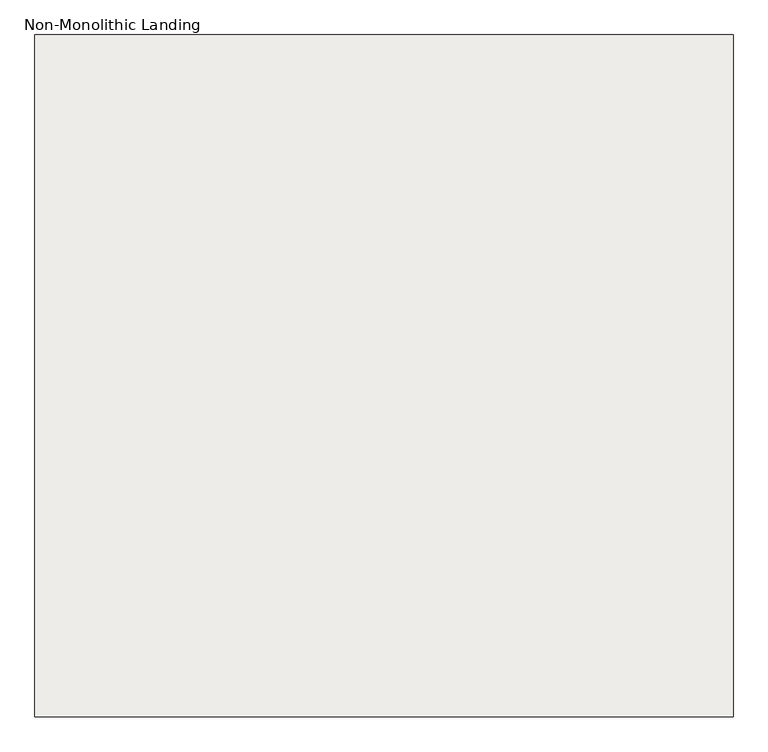
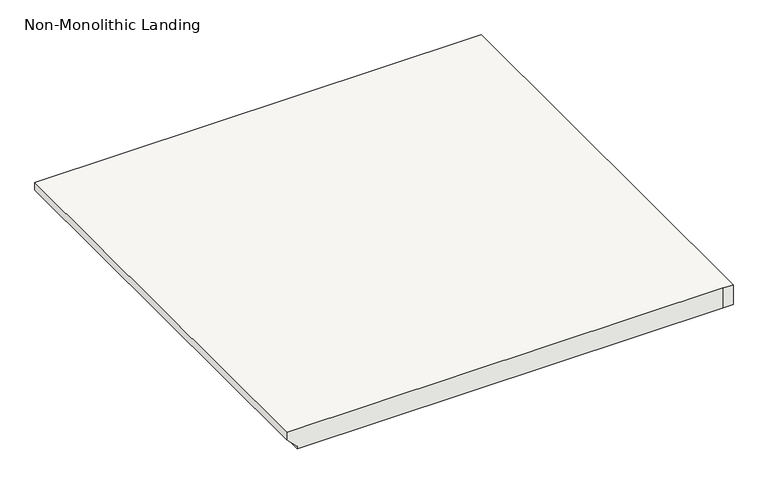
"""IFC4 building model written with IfcOpenShell, lengths in millimetres: slab geometry, Non-Monolithic Landing."""

from ifc_helpers import new_model, si_unit, origin, place, context, project, spatial, faceted_brep, source, transform, mapped, element, save


def non_monolithic_landing_9510f6d4(model_context):
    return source(origin(), model_context, "Body", "Brep", [
        faceted_brep([(39085.0404708, -13101.150078, 2175.8088235), (39085.0404708, -13101.150078, 2194.8588235), (39085.0404708, -12034.350078, 2194.8588235), (39085.0404708, -12034.350078, 2175.8088235), (39110.4404708, -13101.150078, 2150.4088235), (39110.4404708, -12034.350078, 2150.4088235), (40151.8404708, -13101.150078, 2194.8588235), (40177.2404708, -13101.150078, 2194.8588235), (40177.2404708, -12034.350078, 2194.8588235), (40151.8404708, -12034.350078, 2194.8588235), (39110.4404708, -13101.150078, 2144.0588235), (39110.4404708, -12034.350078, 2144.0588235), (40151.8404708, -12034.350078, 2144.0588235), (40177.2404708, -12034.350078, 2144.0588235), (40177.2404708, -13101.150078, 2144.0588235), (40151.8404708, -13101.150078, 2144.0588235)], [[[0, 1, 2, 3]], [[4, 0, 3, 5]], [[6, 7, 8, 9, 2, 1]], [[10, 11, 12, 13, 14, 15]], [[11, 10, 4, 5]], [[6, 1, 0, 4, 10, 15]], [[7, 6, 15, 14]], [[8, 7, 14, 13]], [[9, 8, 13, 12]], [[2, 9, 12, 11, 5, 3]]]),
    ])


if __name__ == "__main__":
    model = new_model("IFC4")
    model_context = context("Model", 3, world=origin())
    ifc_project = project(units=[si_unit("LENGTHUNIT", "METRE", prefix="MILLI")], contexts=[model_context])
    site = spatial("IfcSite", under=ifc_project)
    building = spatial("IfcBuilding", under=site)
    placement = place(None, origin())
    non_monolithic_landing_shape = non_monolithic_landing_9510f6d4(model_context)
    element("IfcSlab", 1, ObjectType="Non-Monolithic Landing", at=placement, inside=building, context=model_context, shape_type="MappedRepresentation", body=[
        mapped(non_monolithic_landing_shape, transform((0.0, 0.0, 0.0), x_axis=(1.0, 0.0, 0.0), y_axis=(0.0, 1.0, 0.0), z_axis=(0.0, 0.0, 1.0))),
    ])
    save(model, "model.ifc")
